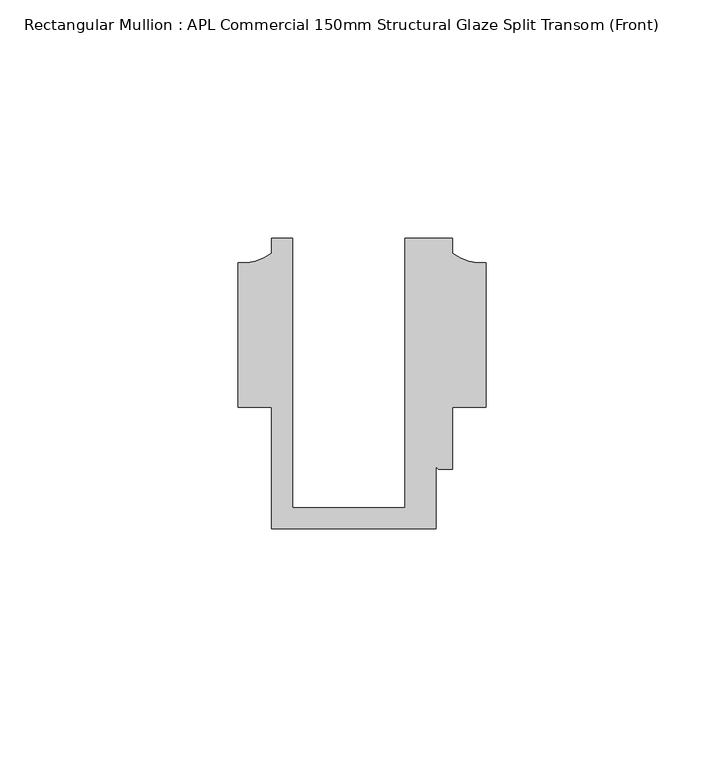
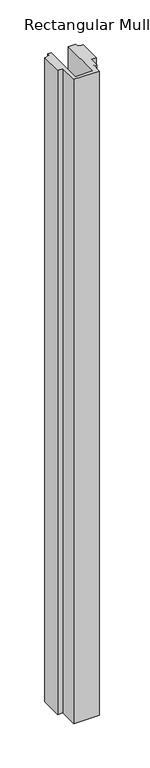
"""IFC4 building model written with IfcOpenShell, lengths in millimetres: member geometry, Rectangular Mullion : APL Commercial 150mm Structural Glaze Split Transom (Front)."""

from ifc_helpers import new_model, si_unit, point, frame, frame_2d, origin, place, context, project, spatial, polyline, circle_curve, trimmed, segment, composite_curve, outline, extrude, source, transform, mapped, element, save


def rectangular_mullion_apl_commercial_150mm_structural_glaze_402861f6(model_context):
    return source(origin(), model_context, "Body", "SweptSolid", [
        extrude(outline(composite_curve([segment(polyline([(-23.5949354, 20.5), (-23.5949354, -36.1008577), (0.0, -36.1008577), (0.0, 20.5), (10.0000029, 20.5), (10.0000029, 17.3121423)]), True, "CONTINUOUS"), segment(trimmed(circle_curve(frame_2d((16.1098048, 25.7978024)), 10.4563907), [point((10.0000029, 17.3121423))], [point((16.999942, 15.3793686))], True, "CARTESIAN"), True, "CONTINUOUS"), segment(polyline([(16.999942, 15.3793686), (16.999942, -15.0004617), (10.0000029, -15.0004617), (10.0000029, -28.0002131), (7.5000029, -28.0002131)]), True, "CONTINUOUS"), segment(trimmed(circle_curve(frame_2d((7.5000029, -27.0002131)), 1.0), [point((7.5000029, -28.0002131))], [point((6.5000029, -27.0002131))], False, "CARTESIAN"), True, "CONTINUOUS"), segment(polyline([(6.5000029, -27.0002131), (6.5000029, -40.499932), (-28.0000482, -40.499932), (-28.0000482, -15.001276), (-34.9999873, -15.001276), (-34.9999873, 15.3795682)]), True, "CONTINUOUS"), segment(trimmed(circle_curve(frame_2d((-34.10985, 25.7980019)), 10.4563907), [point((-34.9999873, 15.3795682))], [point((-28.0000482, 17.3123419))], True, "CARTESIAN"), True, "CONTINUOUS"), segment(polyline([(-28.0000482, 17.3123419), (-28.0000482, 20.5), (-23.5949354, 20.5)]), True, "CONTINUOUS")], self_intersect=False)), frame((0.0, 0.0, -921.9400463), z_axis=(0.0, 0.0, 1.0), x_axis=(1.0, 0.0, 0.0)), (0.0, 0.0, 1.0), 921.9400463),
    ])


if __name__ == "__main__":
    model = new_model("IFC4")
    model_context = context("Model", 3, world=origin())
    ifc_project = project(units=[si_unit("LENGTHUNIT", "METRE", prefix="MILLI")], contexts=[model_context])
    site = spatial("IfcSite", under=ifc_project)
    building = spatial("IfcBuilding", under=site)
    placement = place(None, origin())
    rectangular_mullion_apl_commercial_150mm_structural_glaze_shape = rectangular_mullion_apl_commercial_150mm_structural_glaze_402861f6(model_context)
    element("IfcMember", 1, ObjectType="Rectangular Mullion : APL Commercial 150mm Structural Glaze Split Transom (Front)", at=placement, inside=building, context=model_context, shape_type="MappedRepresentation", body=[
        mapped(rectangular_mullion_apl_commercial_150mm_structural_glaze_shape, transform((0.0, 0.0, 0.0), x_axis=(1.0, 0.0, 0.0), y_axis=(0.0, 1.0, 0.0), z_axis=(0.0, 0.0, 1.0))),
    ])
    save(model, "model.ifc")
